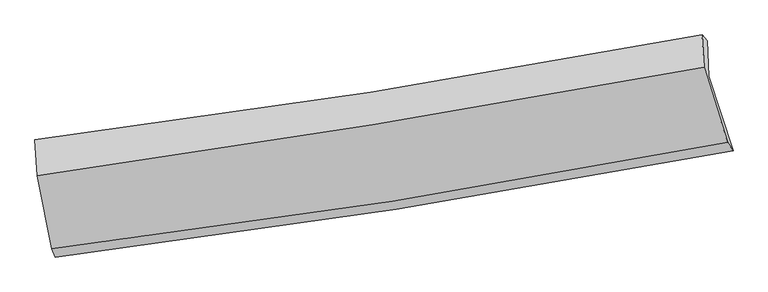
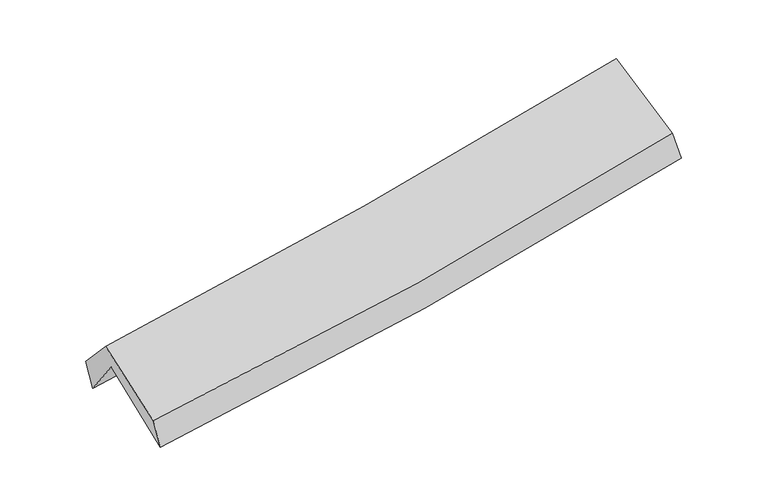
"""IFC4 building model written with IfcOpenShell, lengths in millimetres: proxy geometry."""

from ifc_helpers import new_model, si_unit, frame, origin, place, context, project, spatial, source, transform, mapped, element, save
from ifc_brep_helpers import plane_surface, spline_curve, spline_surface, advanced_brep


def generic_models_da111ad1(model_context):
    return source(origin(), model_context, "Body", "AdvancedBrep", [
        advanced_brep(
        [(-2234.9282918, -2454.224335, 1502.7905197), (-2339.4619906, -1944.0394885, 1920.1698336), (2260.2049469, -1211.1915347, 2333.4581682), (2425.8944579, -1722.9503208, 1916.8911513), (-2350.2674094, -1703.1011184, 1594.9661444), (2249.3751639, -965.5604146, 2005.5482201), (-2373.5454207, -1646.928867, 1800.3270758), (2212.9487375, -927.1480366, 2221.1480079), (-2357.5986679, -1896.6528431, 2073.0864732), (2226.0531834, -1150.9278335, 2495.00646), (-2257.7777888, -2397.6112022, 1701.4843298), (2387.9178449, -1664.7754157, 2111.3248138)],
        [
            (0, 1),
            (1, 2, spline_curve(3, [(-2339.4619906, -1944.0394885, 1920.1698336), (-1565.449516693, -1841.694763518, 1974.950181125), (-793.794024125, -1729.200662906, 2036.927822243), (739.395268557, -1484.775824509, 2174.79143055), (1500.962088284, -1352.987273685, 2250.576567781), (2260.2049469, -1211.1915347, 2333.4581682)], [4, 2, 4], [0.0, 7.748522673173143, 15.44257764325933])),
            (2, 3),
            (3, 0, spline_curve(3, [(2425.8944579, -1722.9503208, 1916.8911513), (1656.572588857, -1869.469171865, 1828.501856267), (884.888058581, -2003.497370173, 1749.885943759), (-668.685954946, -2247.432848213, 1611.71353486), (-1450.609007848, -2357.162654798, 1552.295903378), (-2234.9282918, -2454.224335, 1502.7905197)], [4, 2, 4], [0.0, 7.694054970086187, 15.44257764325933])),
            (1, 4),
            (4, 5, spline_curve(3, [(-2350.2674094, -1703.1011184, 1594.9661444), (-1575.382862434, -1604.134642223, 1648.180104358), (-803.294915766, -1492.929882215, 1709.150198653), (729.880096367, -1246.911529304, 1846.119549686), (1491.006340981, -1112.269388077, 1922.010147328), (2249.3751639, -965.5604146, 2005.5482201)], [4, 2, 4], [0.0, 7.699374427641858, 15.344626636382294])),
            (5, 2),
            (4, 6),
            (6, 7, spline_curve(3, [(-2373.5454207, -1646.928867, 1800.3270758), (-1600.801960131, -1550.539151281, 1856.146906002), (-830.884225287, -1442.10867524, 1919.274607197), (697.907574171, -1202.013047563, 2059.650630627), (1456.821224937, -1070.516579995, 2136.796573182), (2212.9487375, -927.1480366, 2221.1480079)], [4, 2, 4], [0.0, 7.687749609362843, 15.321458715678649])),
            (7, 5),
            (6, 8),
            (8, 9, spline_curve(3, [(-2357.5986679, -1896.6528431, 2073.0864732), (-1586.613369265, -1787.342264656, 2129.417878278), (-817.810147328, -1670.296850755, 2192.892699976), (710.043233519, -1421.613486758, 2333.632771011), (1469.123961778, -1290.083897322, 2410.797944844), (2226.0531834, -1150.9278335, 2495.00646)], [4, 2, 4], [0.0, 7.676294603440523, 15.298629226004202])),
            (9, 7),
            (8, 10),
            (10, 11, spline_curve(3, [(-2257.7777888, -2397.6112022, 1701.4843298), (-1475.190855535, -2301.470083024, 1747.594381975), (-695.400424197, -2192.067866035, 1804.962814411), (853.125609623, -1947.603490034, 1941.734032764), (1621.900389579, -1812.72711133, 2020.979094957), (2387.9178449, -1664.7754157, 2111.3248138)], [4, 2, 4], [0.0, 7.725432277750883, 15.396559164749053])),
            (11, 9),
            (10, 0),
            (3, 11),
        ],
        [
            spline_surface(3, 3, [[(-2234.9282918, -2454.224335, 1502.7905197), (-1450.609007743, -2357.162654884, 1552.295903307), (-668.685954851, -2247.432848285, 1611.713534816), (884.888058487, -2003.497370101, 1749.885943802), (1656.572588862, -1869.469171939, 1828.501856172), (2425.8944579, -1722.9503208, 1916.8911513)], [(-2269.772858065, -2284.162719502, 1641.916957654), (-1488.889177402, -2185.340024425, 1693.180662609), (-710.388644545, -2074.688786491, 1753.451630636), (836.390461839, -1830.590188228, 1891.521106061), (1604.702422003, -1697.30853922, 1969.193426688), (2370.664620898, -1552.364058758, 2055.746823583)], [(-2304.617424335, -2114.101103998, 1781.043395646), (-1527.169347065, -2013.517393959, 1834.065421949), (-752.091334327, -1901.944724711, 1895.189726426), (787.892865102, -1657.683006371, 2033.156268289), (1552.832255149, -1525.147906529, 2109.884997254), (2315.434783902, -1381.777796742, 2194.602495917)], [(-2339.4619906, -1944.0394885, 1920.1698336), (-1565.449516724, -1841.6947635, 1974.95018125), (-793.794024021, -1729.200662917, 2036.927822246), (739.395268453, -1484.775824498, 2174.791430547), (1500.96208829, -1352.98727381, 2250.57656777), (2260.2049469, -1211.1915347, 2333.4581682)]], [4, 4], [4, 2, 4], [0.0, 2.2439119157106076], [0.0, 7.748522673173143, 15.44257764325933]),
            spline_surface(3, 3, [[(-2339.4619906, -1944.0394885, 1920.1698336), (-1565.449516724, -1841.6947635, 1974.95018125), (-793.794024021, -1729.200662917, 2036.927822246), (739.395268453, -1484.775824498, 2174.791430547), (1500.96208829, -1352.98727381, 2250.57656777), (2260.2049469, -1211.1915347, 2333.4581682)], [(-2343.063796884, -1863.726698479, 1811.768603881), (-1568.760631983, -1762.50805638, 1866.026822278), (-796.960987984, -1650.443736, 1927.668614366), (736.223544417, -1405.487726096, 2065.234136918), (1497.643505825, -1272.747978536, 2141.054427616), (2256.59501922, -1129.314494673, 2224.15485218)], [(-2346.665603116, -1783.413908421, 1703.367374119), (-1572.071747192, -1683.321349223, 1757.103463263), (-800.127951864, -1571.686809114, 1818.409406523), (733.051820464, -1326.199627725, 1955.676843326), (1494.3249234, -1192.508683243, 2031.532287422), (2252.98509158, -1047.437454627, 2114.85153612)], [(-2350.2674094, -1703.1011184, 1594.9661444), (-1575.382862452, -1604.134642103, 1648.180104292), (-803.294915828, -1492.929882197, 1709.150198642), (729.880096428, -1246.911529322, 1846.119549697), (1491.006340935, -1112.269387968, 1922.010147268), (2249.3751639, -965.5604146, 2005.5482201)]], [4, 4], [4, 2, 4], [0.0, 1.328712595391317], [0.0, 7.699374427641858, 15.344626636382294]),
            spline_surface(3, 3, [[(-2350.2674094, -1703.1011184, 1594.9661444), (-1575.382862452, -1604.134642103, 1648.180104292), (-803.294915828, -1492.929882197, 1709.150198642), (729.880096428, -1246.911529322, 1846.119549697), (1491.006340935, -1112.269387968, 1922.010147268), (2249.3751639, -965.5604146, 2005.5482201)], [(-2358.026746498, -1684.377034573, 1663.419788187), (-1583.855895045, -1586.269478454, 1717.502371474), (-812.491352262, -1475.989479897, 1779.191668184), (719.22258898, -1231.945368689, 1917.296576646), (1479.611302323, -1098.351785254, 1993.605622572), (2237.233021786, -952.756288576, 2077.414816029)], [(-2365.786083602, -1665.652950827, 1731.873432013), (-1592.328927644, -1568.404314887, 1786.824638697), (-821.68778873, -1459.04907764, 1849.233137731), (708.565081497, -1216.979208097, 1988.473603601), (1468.216263653, -1084.434182611, 2065.20109789), (2225.090879614, -939.952162624, 2149.281411971)], [(-2373.5454207, -1646.928867, 1800.3270758), (-1600.801960237, -1550.539151238, 1856.146905879), (-830.884225165, -1442.10867534, 1919.274607273), (697.907574049, -1202.013047464, 2059.650630551), (1456.82122504, -1070.516579896, 2136.796573194), (2212.9487375, -927.1480366, 2221.1480079)]], [4, 4], [4, 2, 4], [0.0, 0.7191286914567547], [0.0, 7.687749609362843, 15.321458715678649]),
            spline_surface(3, 3, [[(-2373.5454207, -1646.928867, 1800.3270758), (-1600.801960237, -1550.539151238, 1856.146905879), (-830.884225165, -1442.10867534, 1919.274607273), (697.907574049, -1202.013047464, 2059.650630551), (1456.82122504, -1070.516579896, 2136.796573194), (2212.9487375, -927.1480366, 2221.1480079)], [(-2368.22983644, -1730.170192381, 1891.246874942), (-1596.072429925, -1629.473522358, 1947.237230012), (-826.52619919, -1518.171400495, 2010.480638208), (701.952793871, -1275.213193922, 2150.978010698), (1460.922137326, -1143.705685743, 2228.130363725), (2217.316886137, -1001.741302255, 2312.434158598)], [(-2362.91425216, -1813.411517719, 1982.166674058), (-1591.342899594, -1708.407893434, 2038.327554119), (-822.168173257, -1594.234125585, 2101.686669101), (705.998013652, -1348.413340314, 2242.305390804), (1465.023049599, -1216.894791524, 2319.464154262), (2221.685034763, -1076.334567845, 2403.720309302)], [(-2357.5986679, -1896.6528431, 2073.0864732), (-1586.613369281, -1787.342264554, 2129.417878252), (-817.810147282, -1670.296850741, 2192.892700036), (710.043233474, -1421.613486772, 2333.632770951), (1469.123961885, -1290.083897371, 2410.797944793), (2226.0531834, -1150.9278335, 2495.00646)]], [4, 4], [4, 2, 4], [0.0, 1.1611905191748315], [0.0, 7.676294603440523, 15.298629226004202]),
            spline_surface(3, 3, [[(-2357.5986679, -1896.6528431, 2073.0864732), (-1586.613369281, -1787.342264554, 2129.417878252), (-817.810147282, -1670.296850741, 2192.892700036), (710.043233474, -1421.613486772, 2333.632770951), (1469.123961885, -1290.083897371, 2410.797944793), (2226.0531834, -1150.9278335, 2495.00646)], [(-2324.325041526, -2063.63896279, 1949.219092062), (-1549.472531357, -1958.71820405, 2002.143379459), (-777.006906268, -1844.220522529, 2063.582738152), (757.737358828, -1596.943487835, 2202.999858212), (1520.049437741, -1464.298302046, 2280.858328165), (2280.008070553, -1322.210360903, 2367.112577924)], [(-2291.051415174, -2230.62508251, 1825.351710938), (-1512.331693455, -2130.094143577, 1874.868880679), (-736.203665188, -2018.144194319, 1934.272776296), (805.431484246, -1772.273488899, 2072.366945501), (1570.974913639, -1638.512706711, 2150.918711565), (2333.962957747, -1493.492888297, 2239.218695876)], [(-2257.7777888, -2397.6112022, 1701.4843298), (-1475.190855531, -2301.470083073, 1747.594381886), (-695.400424174, -2192.067866107, 1804.962814413), (853.1256096, -1947.603489962, 1941.734032762), (1621.900389495, -1812.727111387, 2020.979094937), (2387.9178449, -1664.7754157, 2111.3248138)]], [4, 4], [4, 2, 4], [0.0, 2.186278624791278], [0.0, 7.725432277750883, 15.396559164749053]),
            spline_surface(3, 3, [[(-2257.7777888, -2397.6112022, 1701.4843298), (-1475.190855531, -2301.470083073, 1747.594381886), (-695.400424174, -2192.067866107, 1804.962814413), (853.1256096, -1947.603489962, 1941.734032762), (1621.900389495, -1812.727111387, 2020.979094937), (2387.9178449, -1664.7754157, 2111.3248138)], [(-2250.161289788, -2416.482246475, 1635.253059774), (-1466.996906257, -2320.034273685, 1682.494889034), (-686.495601072, -2210.522860175, 1740.54638788), (863.713092557, -1966.234783349, 1877.784669775), (1633.457789289, -1831.641131572, 1956.820015367), (2400.576715905, -1684.167050735, 2046.513592985)], [(-2242.544790812, -2435.353290725, 1569.021789726), (-1458.802957018, -2338.598464272, 1617.395396159), (-677.590777953, -2228.977854218, 1676.129961349), (874.30057553, -1984.866076713, 1813.835306789), (1645.015189068, -1850.555151753, 1892.660935742), (2413.235586895, -1703.558685765, 1981.702372115)], [(-2234.9282918, -2454.224335, 1502.7905197), (-1450.609007743, -2357.162654884, 1552.295903307), (-668.685954851, -2247.432848285, 1611.713534816), (884.888058487, -2003.497370101, 1749.885943802), (1656.572588862, -1869.469171939, 1828.501856172), (2425.8944579, -1722.9503208, 1916.8911513)]], [4, 4], [4, 2, 4], [0.0, 0.6645235255915448], [0.0, 7.7861067371381525, 15.517481576616628]),
            plane_surface(frame((2293.7323891, -1273.758926, 2180.5628035), z_axis=(0.9692822446183138, 0.21113724705159898, 0.1261467128987323), x_axis=(0.24473003980035296, -0.7769079310598102, -0.5801045373686392))),
            plane_surface(frame((-2318.9299282, -2007.0929757, 1765.4707294), z_axis=(-0.9870896244278247, -0.14263008602974675, -0.07287476865200518), x_axis=(-0.10992658137565671, 0.27235996235306476, 0.9558954951322338))),
        ],
        [
            (0, [[1, 2, 3, 4]]),
            (1, [[5, 6, 7, -2]]),
            (2, [[8, 9, 10, -6]]),
            (3, [[11, 12, 13, -9]]),
            (4, [[14, 15, 16, -12]]),
            (5, [[17, -4, 18, -15]]),
            (6, [[-16, -18, -3, -7, -10, -13]]),
            (7, [[-17, -14, -11, -8, -5, -1]]),
        ],
    ),
    ])


if __name__ == "__main__":
    model = new_model("IFC4")
    model_context = context("Model", 3, world=origin())
    ifc_project = project(units=[si_unit("LENGTHUNIT", "METRE", prefix="MILLI")], contexts=[model_context])
    site = spatial("IfcSite", under=ifc_project)
    building = spatial("IfcBuilding", under=site)
    placement = place(None, origin())
    generic_models_shape = generic_models_da111ad1(model_context)
    element("IfcBuildingElementProxy", 1, Name="Generic Models", at=placement, inside=building, context=model_context, shape_type="MappedRepresentation", body=[
        mapped(generic_models_shape, transform((0.0, 0.0, 0.0), x_axis=(1.0, 0.0, 0.0), y_axis=(0.0, 1.0, 0.0), z_axis=(0.0, 0.0, 1.0))),
    ])
    save(model, "model.ifc")
